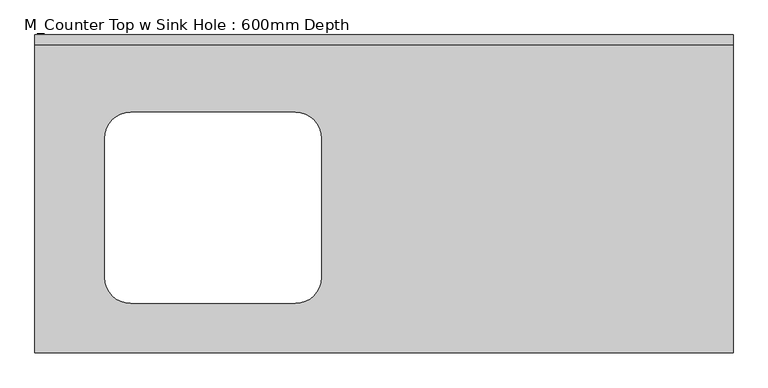
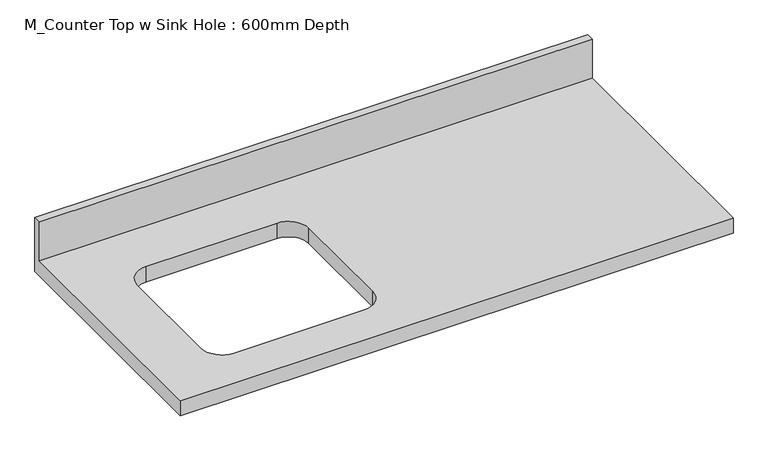
"""IFC4 building model written with IfcOpenShell, lengths in millimetres: furniture geometry, M_Counter Top w Sink Hole : 600mm Depth."""

from ifc_helpers import new_model, si_unit, frame, origin, place, context, project, spatial, polyline, circle_curve, source, transform, mapped, element, save
from ifc_brep_helpers import plane_surface, revolved_surface, advanced_brep


def m_counter_top_w_sink_hole_600mm_depth_edbb3572(model_context):
    return source(origin(), model_context, "Body", "AdvancedBrep", [
        advanced_brep(
        [(-1200.4622951, -625.0, 900.0), (171.5377049, -625.0, 900.0), (171.5377049, -19.05, 900.0), (-1200.4622951, -19.05, 900.0), (-1012.3622951, -152.3, 900.0), (-688.5622951, -152.3, 900.0), (-637.7622951, -203.1, 900.0), (-637.7622951, -476.9, 900.0), (-688.5622951, -527.7, 900.0), (-1012.3622951, -527.7, 900.0), (-1063.1622951, -476.9, 900.0), (-1063.1622951, -203.1, 900.0), (171.5377049, 0.0, 860.0), (171.5377049, -625.0, 860.0), (-1200.4622951, -625.0, 860.0), (-1200.4622951, 0.0, 860.0), (-688.5622951, -152.3, 860.0), (-1012.3622951, -152.3, 860.0), (-1063.1622951, -203.1, 860.0), (-1063.1622951, -476.9, 860.0), (-1012.3622951, -527.7, 860.0), (-688.5622951, -527.7, 860.0), (-637.7622951, -476.9, 860.0), (-637.7622951, -203.1, 860.0), (-1200.4622951, 0.0, 1001.6), (171.5377049, 0.0, 1001.6), (-1200.4622951, -19.05, 1001.6), (171.5377049, -19.05, 1001.6)],
        [
            (0, 1),
            (1, 2),
            (2, 3),
            (3, 0),
            (4, 5),
            (5, 6, circle_curve(frame((-688.5622951, -203.1, 900.0), z_axis=(0.0, 0.0, -1.0), x_axis=(1.0, 0.0, 0.0)), 50.8)),
            (6, 7),
            (7, 8, circle_curve(frame((-688.5622951, -476.9, 900.0), z_axis=(0.0, 0.0, -1.0), x_axis=(1.0, 0.0, 0.0)), 50.8)),
            (8, 9),
            (9, 10, circle_curve(frame((-1012.3622951, -476.9, 900.0), z_axis=(0.0, 0.0, -1.0), x_axis=(1.0, 0.0, 0.0)), 50.8)),
            (10, 11),
            (11, 4, circle_curve(frame((-1012.3622951, -203.1, 900.0), z_axis=(0.0, 0.0, -1.0), x_axis=(1.0, 0.0, 0.0)), 50.8)),
            (12, 13),
            (13, 14),
            (14, 15),
            (15, 12),
            (16, 17),
            (17, 18, circle_curve(frame((-1012.3622951, -203.1, 860.0), z_axis=(0.0, 0.0, 1.0), x_axis=(1.0, 0.0, 0.0)), 50.8)),
            (18, 19),
            (19, 20, circle_curve(frame((-1012.3622951, -476.9, 860.0), z_axis=(0.0, 0.0, 1.0), x_axis=(1.0, 0.0, 0.0)), 50.8)),
            (20, 21),
            (21, 22, circle_curve(frame((-688.5622951, -476.9, 860.0), z_axis=(0.0, 0.0, 1.0), x_axis=(1.0, 0.0, 0.0)), 50.8)),
            (22, 23),
            (23, 16, circle_curve(frame((-688.5622951, -203.1, 860.0), z_axis=(0.0, 0.0, 1.0), x_axis=(1.0, 0.0, 0.0)), 50.8)),
            (15, 24),
            (24, 25),
            (25, 12),
            (14, 0),
            (3, 26),
            (26, 24),
            (13, 1),
            (25, 27),
            (27, 2),
            (26, 27),
            (4, 17),
            (16, 5),
            (11, 18),
            (10, 19),
            (9, 20),
            (8, 21),
            (7, 22),
            (6, 23),
        ],
        [
            plane_surface(frame((-1200.4622951, 0.0, 900.0), z_axis=(0.0, 0.0, 1.0), x_axis=(-1.0, 0.0, 0.0))),
            plane_surface(frame((-1200.4622951, 0.0, 860.0), z_axis=(0.0, 0.0, -1.0), x_axis=(1.0, 0.0, 0.0))),
            plane_surface(frame((171.5377049, 0.0, 900.0), z_axis=(0.0, 1.0, 0.0), x_axis=(0.0, 0.0, -1.0))),
            plane_surface(frame((-1200.4622951, 0.0, 900.0), z_axis=(-1.0, 0.0, 0.0), x_axis=(0.0, 0.0, -1.0))),
            plane_surface(frame((-1200.4622951, -625.0, 900.0), z_axis=(0.0, -1.0, 0.0), x_axis=(0.0, 0.0, -1.0))),
            plane_surface(frame((171.5377049, -625.0, 900.0), z_axis=(1.0, 0.0, 0.0), x_axis=(0.0, 0.0, -1.0))),
            plane_surface(frame((-1200.4622951, 0.0, 1001.6), z_axis=(0.0, 0.0, 1.0), x_axis=(0.0, -1.0, 0.0))),
            plane_surface(frame((-1200.4622951, -19.05, 1001.6), z_axis=(0.0, -1.0, 0.0), x_axis=(0.0, 0.0, -1.0))),
            plane_surface(frame((-688.5622951, -152.3, 900.0), z_axis=(0.0, -1.0, 0.0), x_axis=(0.0, 0.0, -1.0))),
            revolved_surface(polyline([(-961.5622951, -203.1, 900.0), (-961.5622951, -203.1, 860.0)]), (-1012.3622951, -203.1, 860.0), (0.0, 0.0, 1.0)),
            plane_surface(frame((-1063.1622951, -203.1, 900.0), z_axis=(1.0, 0.0, 0.0), x_axis=(0.0, 0.0, -1.0))),
            revolved_surface(polyline([(-961.5622951, -476.9, 900.0), (-961.5622951, -476.9, 860.0)]), (-1012.3622951, -476.9, 860.0), (0.0, 0.0, 1.0)),
            plane_surface(frame((-1012.3622951, -527.7, 900.0), z_axis=(0.0, 1.0, 0.0), x_axis=(0.0, 0.0, -1.0))),
            revolved_surface(polyline([(-637.7622951000001, -476.9, 900.0), (-637.7622951000001, -476.9, 860.0)]), (-688.5622951, -476.9, 860.0), (0.0, 0.0, 1.0)),
            plane_surface(frame((-637.7622951, -476.9, 900.0), z_axis=(-1.0, 0.0, 0.0), x_axis=(0.0, 0.0, -1.0))),
            revolved_surface(polyline([(-637.7622951000001, -203.1, 900.0), (-637.7622951000001, -203.1, 860.0)]), (-688.5622951, -203.1, 860.0), (0.0, 0.0, 1.0)),
        ],
        [
            (0, [[1, 2, 3, 4], [5, 6, 7, 8, 9, 10, 11, 12]]),
            (1, [[13, 14, 15, 16], [17, 18, 19, 20, 21, 22, 23, 24]]),
            (2, [[-16, 25, 26, 27]]),
            (3, [[-15, 28, -4, 29, 30, -25]]),
            (4, [[-1, -28, -14, 31]]),
            (5, [[-13, -27, 32, 33, -2, -31]]),
            (6, [[-30, 34, -32, -26]]),
            (7, [[-34, -29, -3, -33]]),
            (8, [[35, -17, 36, -5]]),
            (9, [[-35, -12, 37, -18]]),
            (10, [[-37, -11, 38, -19]]),
            (11, [[-38, -10, 39, -20]]),
            (12, [[-39, -9, 40, -21]]),
            (13, [[-40, -8, 41, -22]]),
            (14, [[-41, -7, 42, -23]]),
            (15, [[-36, -24, -42, -6]]),
        ],
    ),
    ])


if __name__ == "__main__":
    model = new_model("IFC4")
    model_context = context("Model", 3, world=origin())
    ifc_project = project(units=[si_unit("LENGTHUNIT", "METRE", prefix="MILLI")], contexts=[model_context])
    site = spatial("IfcSite", under=ifc_project)
    building = spatial("IfcBuilding", under=site)
    placement = place(None, origin())
    m_counter_top_w_sink_hole_600mm_depth_shape = m_counter_top_w_sink_hole_600mm_depth_edbb3572(model_context)
    element("IfcFurniture", 1, ObjectType="M_Counter Top w Sink Hole : 600mm Depth", at=placement, inside=building, context=model_context, shape_type="MappedRepresentation", body=[
        mapped(m_counter_top_w_sink_hole_600mm_depth_shape, transform((0.0, 0.0, 0.0), x_axis=(1.0, 0.0, 0.0), y_axis=(0.0, 1.0, 0.0), z_axis=(0.0, 0.0, 1.0))),
    ])
    save(model, "model.ifc")
